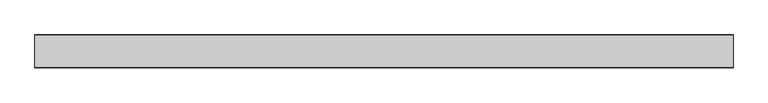
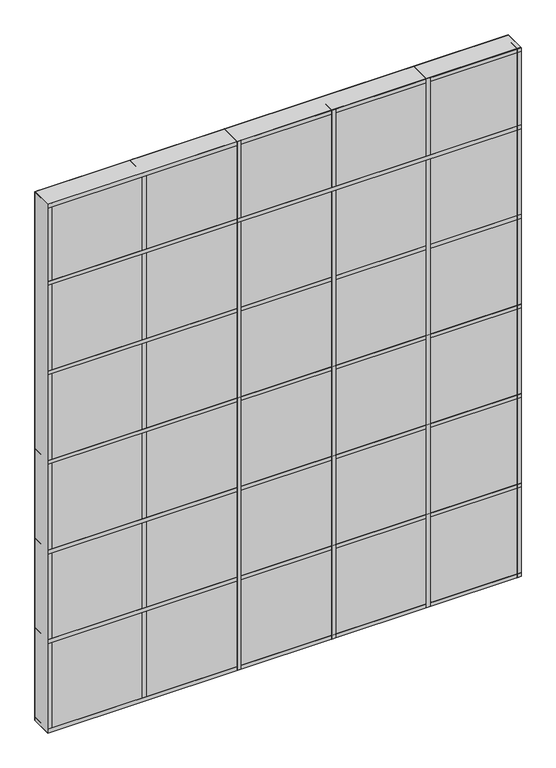
"""IFC4 building model written with IfcOpenShell, lengths in millimetres: plate geometry."""

import ifcopenshell
import ifcopenshell.guid

model = None  # the IFC model being written
_history = None  # IfcOwnerHistory: only IFC2X3 demands one
_inside = {}  # id of a spatial element -> (the spatial element, [elements in it])
_under = {}  # id of a project, library or spatial element -> (it, [spatial elements below it])
_declared = {}  # id of a project -> (the project, [libraries it declares])
_typed = {}  # id of a type object -> (the type object, [elements of that type])
_made_of = {}  # id of a material, layer set ... -> (it, [elements and type objects made of it])


def new_model(schema):
    """Start an empty IFC model of exactly this schema.

    Asked for "IFC4X3", IfcOpenShell would pick the latest addendum, in which some entities
    have other attributes; the version numbers below select the first issue.
    IFC2X3 requires an IfcOwnerHistory on every rooted entity: one is made here for all.
    """
    global model, _history
    if schema == "IFC4X3":
        model = ifcopenshell.file(schema_version=(4, 3, 0, 0))
    else:
        model = ifcopenshell.file(schema=schema)
    _inside.clear()
    _under.clear()
    _declared.clear()
    _typed.clear()
    _made_of.clear()
    _history = None
    if model.schema == "IFC2X3":
        org = make("IfcOrganization", Name="unknown")
        user = make(
            "IfcPersonAndOrganization",
            ThePerson=make("IfcPerson", FamilyName="unknown"),
            TheOrganization=org,
        )
        app = make(
            "IfcApplication",
            ApplicationDeveloper=org,
            Version="unknown",
            ApplicationFullName="unknown",
            ApplicationIdentifier="unknown",
        )
        _history = make(
            "IfcOwnerHistory",
            OwningUser=user,
            OwningApplication=app,
            ChangeAction="ADDED",
            CreationDate=0,
        )
    return model


def make(cls, **values):
    """One entity of the class cls with the attributes given. An attribute that is None is left unset."""
    return model.create_entity(
        cls, **{name: value for name, value in values.items() if value is not None}
    )


def rooted(cls, **values):
    """An entity with a GlobalId (a new one), such as an element, a storey or a relation."""
    return make(cls, GlobalId=ifcopenshell.guid.new(), OwnerHistory=_history, **values)


def si_unit(unit_type, name, prefix=None):
    """IfcSIUnit, for example si_unit("LENGTHUNIT", "METRE", prefix="MILLI")."""
    return make("IfcSIUnit", UnitType=unit_type, Prefix=prefix, Name=name)


def assignment(units):
    """IfcUnitAssignment: the units of a project."""
    return None if units is None else make("IfcUnitAssignment", Units=units)


def point(xyz):
    """IfcCartesianPoint."""
    return None if xyz is None else make("IfcCartesianPoint", Coordinates=xyz)


def direction(xyz):
    """IfcDirection."""
    return None if xyz is None else make("IfcDirection", DirectionRatios=xyz)


def frame(location, z_axis=None, x_axis=None):
    """IfcAxis2Placement3D, a coordinate frame: its origin and axes. An axis left out is left unset."""
    return make(
        "IfcAxis2Placement3D",
        Location=point(location),
        Axis=direction(z_axis),
        RefDirection=direction(x_axis),
    )


def origin():
    """The frame at (0, 0, 0) with its axes left unset."""
    return frame((0.0, 0.0, 0.0))


def origin_with_axes():
    """The frame at (0, 0, 0) with the z axis (0, 0, 1) and the x axis (1, 0, 0) written out."""
    return frame((0.0, 0.0, 0.0), z_axis=(0.0, 0.0, 1.0), x_axis=(1.0, 0.0, 0.0))


def place(relative_to, where):
    """IfcLocalPlacement: puts the frame where relative to a parent placement (None: the world)."""
    return make(
        "IfcLocalPlacement", PlacementRelTo=relative_to, RelativePlacement=where
    )


def context(
    kind, dimensions, precision=None, world=None, true_north=None, identifier=None
):
    """IfcGeometricRepresentationContext, for example the 3D "Model" context."""
    return make(
        "IfcGeometricRepresentationContext",
        ContextIdentifier=identifier,
        ContextType=kind,
        CoordinateSpaceDimension=dimensions,
        Precision=precision,
        WorldCoordinateSystem=world,
        TrueNorth=true_north,
    )


def project(units=None, contexts=None):
    """IfcProject with its units and contexts."""
    return rooted(
        "IfcProject",
        Name="project",
        RepresentationContexts=contexts,
        UnitsInContext=assignment(units),
    )


def spatial(cls, under=None, at=None, **own):
    """A site, building, storey or space (cls), placed at a placement, below another one or the project."""
    s = rooted(cls, ObjectPlacement=at, **own)
    if under is not None:
        _under.setdefault(under.id(), (under, []))[1].append(s)
    return s


def polyline(points):
    """IfcPolyline through the points."""
    return make("IfcPolyline", Points=[point(p) for p in points])


def outline(outer, holes=None, kind="AREA"):
    """IfcArbitraryClosedProfileDef: a profile drawn as a closed curve; with holes, ...WithVoids."""
    if holes is None:
        return make("IfcArbitraryClosedProfileDef", ProfileType=kind, OuterCurve=outer)
    return make(
        "IfcArbitraryProfileDefWithVoids",
        ProfileType=kind,
        OuterCurve=outer,
        InnerCurves=holes,
    )


def extrude(swept, where, along, depth):
    """IfcExtrudedAreaSolid: the profile swept, set in the frame where, extruded along a direction by depth."""
    return make(
        "IfcExtrudedAreaSolid",
        SweptArea=swept,
        Position=where,
        ExtrudedDirection=direction(along),
        Depth=depth,
    )


def shape(context_of_items, identifier, shape_type, items):
    """IfcShapeRepresentation: the items that make up one representation, for example the "Body"."""
    return make(
        "IfcShapeRepresentation",
        ContextOfItems=context_of_items,
        RepresentationIdentifier=identifier,
        RepresentationType=shape_type,
        Items=items,
    )


def source(mapping_origin, context_of_items, identifier, shape_type, items):
    """IfcRepresentationMap: a shape defined once, which mapped items show again and again."""
    return make(
        "IfcRepresentationMap",
        MappingOrigin=mapping_origin,
        MappedRepresentation=shape(context_of_items, identifier, shape_type, items),
    )


def transform(
    local_origin,
    x_axis=None,
    y_axis=None,
    z_axis=None,
    scale=None,
    scale2=None,
    scale3=None,
    uniform=True,
):
    """IfcCartesianTransformationOperator3D, or its non-uniform kind. x_axis, y_axis, z_axis: its Axis1, 2, 3."""
    if uniform:
        return make(
            "IfcCartesianTransformationOperator3D",
            Axis1=direction(x_axis),
            Axis2=direction(y_axis),
            LocalOrigin=point(local_origin),
            Scale=scale,
            Axis3=direction(z_axis),
        )
    return make(
        "IfcCartesianTransformationOperator3DnonUniform",
        Axis1=direction(x_axis),
        Axis2=direction(y_axis),
        LocalOrigin=point(local_origin),
        Scale=scale,
        Axis3=direction(z_axis),
        Scale2=scale2,
        Scale3=scale3,
    )


def mapped(mapping_source, mapping_target):
    """IfcMappedItem: shows the shape of a source again, moved by a transform."""
    return make(
        "IfcMappedItem", MappingSource=mapping_source, MappingTarget=mapping_target
    )


def made_of(thing, what):
    """Note that an element or type object is made of a material, layer set ...; save() writes the relation."""
    if what is not None:
        _made_of.setdefault(what.id(), (what, []))[1].append(thing)
    return thing


def element(
    cls,
    number,
    at=None,
    inside=None,
    cuts=None,
    type_object=None,
    material=None,
    context=None,
    identifier="Body",
    shape_type=None,
    held_by="IfcProductDefinitionShape",
    body=None,
    shapes=None,
    **own,
):
    """One element of the class cls, such as IfcWall. Its Tag is "e" and its number.

    at: its placement. inside: the storey or other place that contains it. cuts: it is an
    opening in that element (IfcRelVoidsElement). A single representation is given by context,
    identifier, shape_type and body (its items); several are given by shapes. held_by: the class
    of the entity that holds the representations. save() writes the other relations.
    """
    e = rooted(cls, Tag="e%d" % number, ObjectPlacement=at, **own)
    if body is not None:
        shapes = [shape(context, identifier, shape_type, body)]
    if shapes is not None:
        e.Representation = make(held_by, Representations=shapes)
    if inside is not None:
        _inside.setdefault(inside.id(), (inside, []))[1].append(e)
    if cuts is not None:
        rooted(
            "IfcRelVoidsElement", RelatingBuildingElement=cuts, RelatedOpeningElement=e
        )
    if type_object is not None:
        _typed.setdefault(type_object.id(), (type_object, []))[1].append(e)
    return made_of(e, material)


def aggregate(whole, parts):
    """IfcRelAggregates: a whole, such as a stair, and the parts it consists of."""
    return rooted("IfcRelAggregates", RelatingObject=whole, RelatedObjects=parts)


def save(model, path):
    """Write the relations noted so far, then the file.

    IfcRelAggregates (storeys below a building ...), IfcRelContainedInSpatialStructure (elements
    in a storey), IfcRelDefinesByType, IfcRelAssociatesMaterial and IfcRelDeclares: one each for
    every whole, place, type object, material and project.
    """
    for whole, parts in _under.values():
        aggregate(whole, parts)
    for where, things in _inside.values():
        rooted(
            "IfcRelContainedInSpatialStructure",
            RelatedElements=things,
            RelatingStructure=where,
        )
    for kind, things in _typed.values():
        rooted("IfcRelDefinesByType", RelatedObjects=things, RelatingType=kind)
    for what, things in _made_of.values():
        rooted("IfcRelAssociatesMaterial", RelatedObjects=things, RelatingMaterial=what)
    for by, libraries in _declared.values():
        rooted("IfcRelDeclares", RelatingContext=by, RelatedDefinitions=libraries)
    model.write(path)


def plate_c719af38(model_context):
    return source(origin(), model_context, "Body", "SweptSolid", [
        extrude(outline(polyline([(762.0, 34.925), (762.0, -34.925), (-762.0, -34.925), (-762.0, 34.925), (762.0, 34.925)])), origin_with_axes(), (0.0, 0.0, 1.0), 1799.8),
        extrude(outline(polyline([(762.0, 35.71875), (762.0, -35.71875), (-762.0, -35.71875), (-762.0, 35.71875), (762.0, 35.71875)])), frame((0.0, 0.0, 1524.0), z_axis=(0.0, 0.0, 1.0), x_axis=(1.0, 0.0, 0.0)), (0.0, 0.0, 1.0), 12.7),
        extrude(outline(polyline([(469.9, 35.71875), (469.9, -35.71875), (457.2, -35.71875), (457.2, 35.71875), (469.9, 35.71875)])), origin_with_axes(), (0.0, 0.0, 1.0), 1799.8),
        extrude(outline(polyline([(165.1, 35.71875), (165.1, -35.71875), (152.4, -35.71875), (152.4, 35.71875), (165.1, 35.71875)])), origin_with_axes(), (0.0, 0.0, 1.0), 1799.8),
        extrude(outline(polyline([(-139.7, 35.71875), (-139.7, -35.71875), (-152.4, -35.71875), (-152.4, 35.71875), (-139.7, 35.71875)])), origin_with_axes(), (0.0, 0.0, 1.0), 1799.8),
        extrude(outline(polyline([(762.0, 35.71875), (762.0, -35.71875), (-762.0, -35.71875), (-762.0, 35.71875), (762.0, 35.71875)])), frame((0.0, 0.0, 1219.2), z_axis=(0.0, 0.0, 1.0), x_axis=(1.0, 0.0, 0.0)), (0.0, 0.0, 1.0), 12.7),
        extrude(outline(polyline([(762.0, 35.71875), (762.0, -35.71875), (-762.0, -35.71875), (-762.0, 35.71875), (762.0, 35.71875)])), frame((0.0, 0.0, 914.4), z_axis=(0.0, 0.0, 1.0), x_axis=(1.0, 0.0, 0.0)), (0.0, 0.0, 1.0), 12.7),
        extrude(outline(polyline([(762.0, 35.71875), (762.0, -35.71875), (-762.0, -35.71875), (-762.0, 35.71875), (762.0, 35.71875)])), frame((0.0, 0.0, 609.6), z_axis=(0.0, 0.0, 1.0), x_axis=(1.0, 0.0, 0.0)), (0.0, 0.0, 1.0), 12.7),
        extrude(outline(polyline([(762.0, 35.71875), (762.0, -35.71875), (-762.0, -35.71875), (-762.0, 35.71875), (762.0, 35.71875)])), frame((0.0, 0.0, 1787.1), z_axis=(0.0, 0.0, 1.0), x_axis=(1.0, 0.0, 0.0)), (0.0, 0.0, 1.0), 12.7),
        extrude(outline(polyline([(762.0, 35.71875), (762.0, -35.71875), (-762.0, -35.71875), (-762.0, 35.71875), (762.0, 35.71875)])), frame((0.0, 0.0, 304.8), z_axis=(0.0, 0.0, 1.0), x_axis=(1.0, 0.0, 0.0)), (0.0, 0.0, 1.0), 12.7),
        extrude(outline(polyline([(762.0, 35.71875), (762.0, -35.71875), (-762.0, -35.71875), (-762.0, 35.71875), (762.0, 35.71875)])), origin_with_axes(), (0.0, 0.0, 1.0), 12.7),
        extrude(outline(polyline([(-444.5, 35.71875), (-444.5, -35.71875), (-457.2, -35.71875), (-457.2, 35.71875), (-444.5, 35.71875)])), origin_with_axes(), (0.0, 0.0, 1.0), 1799.8),
        extrude(outline(polyline([(762.0, 35.71875), (762.0, -35.71875), (749.3, -35.71875), (749.3, 35.71875), (762.0, 35.71875)])), origin_with_axes(), (0.0, 0.0, 1.0), 1799.8),
        extrude(outline(polyline([(-749.3, 35.71875), (-749.3, -35.71875), (-762.0, -35.71875), (-762.0, 35.71875), (-749.3, 35.71875)])), origin_with_axes(), (0.0, 0.0, 1.0), 1799.8),
    ])


if __name__ == "__main__":
    model = new_model("IFC4")
    model_context = context("Model", 3, world=origin())
    ifc_project = project(units=[si_unit("LENGTHUNIT", "METRE", prefix="MILLI")], contexts=[model_context])
    site = spatial("IfcSite", under=ifc_project)
    building = spatial("IfcBuilding", under=site)
    placement = place(None, origin())
    plate_shape = plate_c719af38(model_context)
    element("IfcPlate", 1, at=placement, inside=building, context=model_context, shape_type="MappedRepresentation", body=[
        mapped(plate_shape, transform((0.0, 0.0, 0.0), x_axis=(1.0, 0.0, 0.0), y_axis=(0.0, 1.0, 0.0), z_axis=(0.0, 0.0, 1.0))),
    ])
    save(model, "model.ifc")
